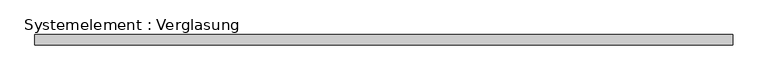
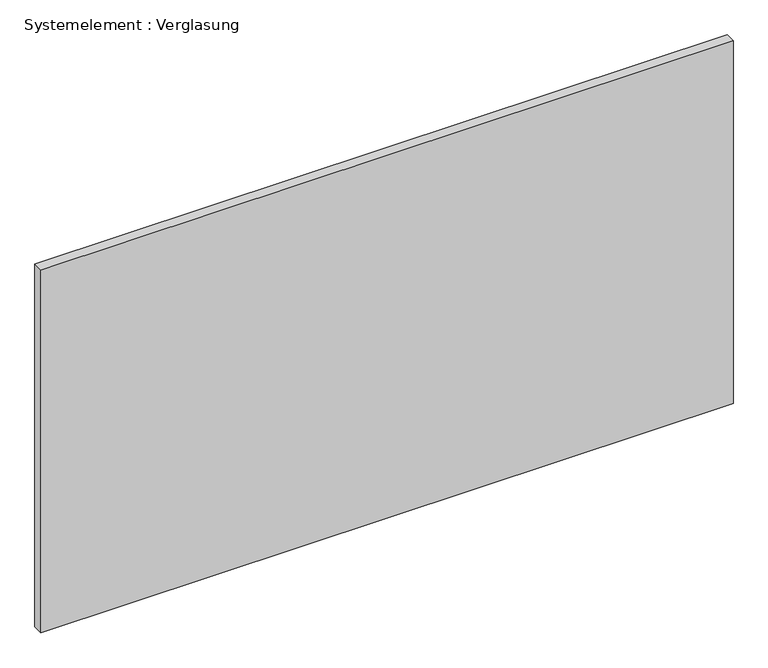
"""IFC4 building model written with IfcOpenShell, lengths in millimetres: plate geometry, Systemelement : Verglasung."""

from ifc_helpers import new_model, si_unit, origin, origin_with_axes, place, context, project, spatial, polyline, outline, extrude, source, transform, mapped, element, save


def systemelement_verglasung_36edbe4d(model_context):
    return source(origin(), model_context, "Body", "SweptSolid", [
        extrude(outline(polyline([(1000.0, -15.0), (-1000.0, -15.0), (-1000.0, 15.0), (1000.0, 15.0), (1000.0, -15.0)])), origin_with_axes(), (0.0, 0.0, 1.0), 1108.8888889),
    ])


if __name__ == "__main__":
    model = new_model("IFC4")
    model_context = context("Model", 3, world=origin())
    ifc_project = project(units=[si_unit("LENGTHUNIT", "METRE", prefix="MILLI")], contexts=[model_context])
    site = spatial("IfcSite", under=ifc_project)
    building = spatial("IfcBuilding", under=site)
    placement = place(None, origin())
    systemelement_verglasung_shape = systemelement_verglasung_36edbe4d(model_context)
    element("IfcPlate", 1, ObjectType="Systemelement : Verglasung", at=placement, inside=building, context=model_context, shape_type="MappedRepresentation", body=[
        mapped(systemelement_verglasung_shape, transform((0.0, 0.0, 0.0), x_axis=(1.0, 0.0, 0.0), y_axis=(0.0, 1.0, 0.0), z_axis=(0.0, 0.0, 1.0))),
    ])
    save(model, "model.ifc")
